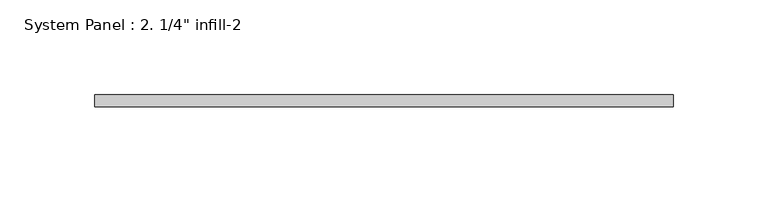
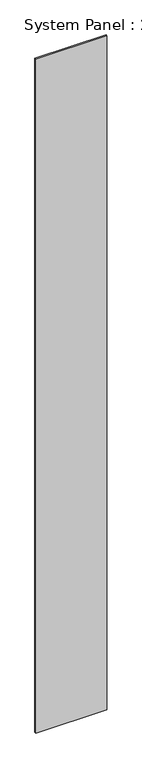
"""IFC4 building model written with IfcOpenShell, lengths in millimetres: plate geometry."""

from ifc_helpers import new_model, si_unit, origin, origin_with_axes, place, context, project, spatial, polyline, outline, extrude, source, transform, mapped, element, save


def plate_0e8a3d8a(model_context):
    return source(origin(), model_context, "Body", "SweptSolid", [
        extrude(outline(polyline([(152.4, 0.0), (-152.4, 0.0), (-152.4, 6.35), (152.4, 6.35), (152.4, 0.0)])), origin_with_axes(), (0.0, 0.0, 1.0), 3048.0),
    ])


if __name__ == "__main__":
    model = new_model("IFC4")
    model_context = context("Model", 3, world=origin())
    ifc_project = project(units=[si_unit("LENGTHUNIT", "METRE", prefix="MILLI")], contexts=[model_context])
    site = spatial("IfcSite", under=ifc_project)
    building = spatial("IfcBuilding", under=site)
    placement = place(None, origin())
    plate_shape = plate_0e8a3d8a(model_context)
    element("IfcPlate", 1, ObjectType="System Panel : 2. 1/4\" infill-2", at=placement, inside=building, context=model_context, shape_type="MappedRepresentation", body=[
        mapped(plate_shape, transform((0.0, 0.0, 0.0), x_axis=(1.0, 0.0, 0.0), y_axis=(0.0, 1.0, 0.0), z_axis=(0.0, 0.0, 1.0))),
    ])
    save(model, "model.ifc")
